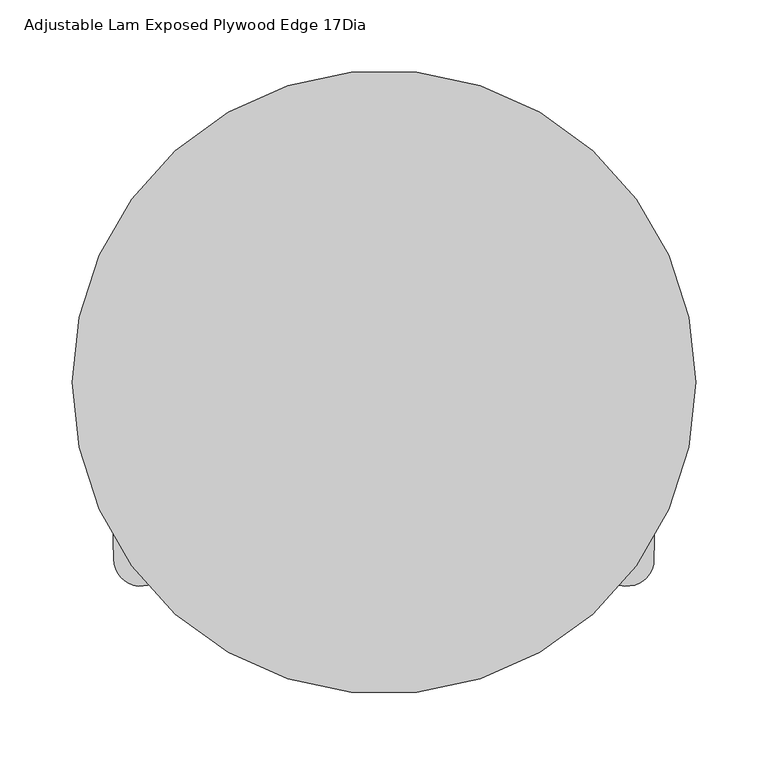
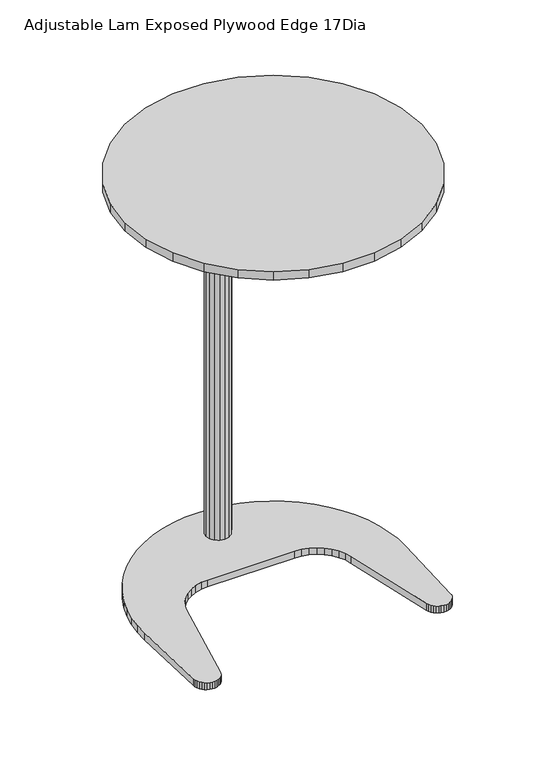
"""IFC4 building model written with IfcOpenShell, lengths in millimetres: furniture geometry, Adjustable Lam Exposed Plywood Edge 17Dia."""

from ifc_helpers import new_model, si_unit, frame, origin, origin_with_axes, place, context, project, spatial, polyline, outline, extrude, source, transform, mapped, element, save


def adjustable_lam_exposed_plywood_edge_17dia_f3066165(model_context):
    return source(origin(), model_context, "Body", "SweptSolid", [
        extrude(outline(polyline([(-149.8671059, -126.3234939), (-150.8992195, -129.521818), (-152.5209955, -132.5392664), (-154.6897222, -135.2420538), (-157.3189766, -137.5155615), (-160.2753551, -139.246179), (-163.4498161, -140.409362), (-166.7207647, -140.9483825), (-170.080298, -140.9617084), (-173.5167343, -140.3426509), (-176.7647555, -139.0607161), (-179.6814743, -137.2641415), (-181.992404, -135.2772922), (-184.3368587, -132.2226251), (-185.9202832, -129.1283645), (-186.8986028, -125.8453436), (-187.2867514, -122.3765601), (-190.3496821, -4.6115352), (-189.8901898, 14.2613479), (-187.6979683, 32.4082451), (-183.1783539, 52.2501283), (-177.4118091, 69.5357992), (-169.6089787, 86.8772552), (-160.1246012, 103.3056947), (-149.0664825, 118.7166454), (-136.508946, 132.9782204), (-122.3697018, 145.7873949), (-107.4059713, 157.4405354), (-91.2014099, 167.3806626), (-74.0827101, 175.6340469), (-56.2270821, 182.1176083), (-37.81398, 186.8126342), (-18.988084, 189.6780662), (0.5119749, 190.5716342), (18.9299367, 189.6762857), (37.7224772, 186.822808), (56.1368215, 182.13276), (73.9687227, 175.6445841), (91.0169372, 167.1567301), (107.071217, 157.3533859), (122.2800452, 145.7296223), (136.3462106, 133.1030038), (148.9690048, 118.821926), (160.0604881, 103.3756123), (169.5508245, 86.9104836), (177.3532916, 69.5815858), (183.3901324, 51.5615284), (187.3279371, 33.1228556), (189.7813847, 14.3179873), (190.1318357, -4.8405436), (186.9182237, -122.5865945), (186.8453009, -125.9547794), (185.7964535, -129.3312591), (184.1832889, -132.3981867), (181.7765516, -135.4621215), (179.6549861, -137.3634814), (176.7145951, -139.164398), (173.4871576, -140.4107336), (170.1668479, -140.9493999), (166.6754186, -140.9974529), (162.872691, -140.2900424), (160.0711524, -139.2664902), (157.1517448, -137.5070955), (154.558898, -135.2497659), (152.3797887, -132.5480595), (150.7550877, -129.506748), (149.7653225, -126.204951), (119.3579737, 11.0523876), (116.438373, 20.4984581), (112.0049093, 29.1621735), (106.2797683, 36.8046916), (99.3454259, 43.4445003), (91.2042077, 48.9570953), (82.3097106, 52.9223511), (72.9862836, 55.3198337), (63.1846426, 56.1296317), (-63.6836492, 56.1185223), (-72.6995166, 55.3368781), (-82.9570079, 52.6617072), (-91.2204949, 48.9240804), (-99.203783, 43.591221), (-106.3477874, 36.8361282), (-112.1441723, 29.0107065), (-116.5027907, 20.4271847), (-119.3365658, 11.2560001), (-149.8671059, -126.3234939)])), origin_with_axes(), (0.0, 0.0, 1.0), 10.4266312),
        extrude(outline(polyline([(-144.4791081, 160.4603002), (-107.9603161, 186.9927468), (-66.7231439, 205.3527271), (-22.5698524, 214.7378011), (22.5698524, 214.7378011), (66.7231439, 205.3527271), (107.9603161, 186.9927468), (144.4791081, 160.4603002), (174.6834691, 126.914964), (197.2533123, 87.8228371), (211.2022429, 44.8924224), (215.9206322, 0.0), (211.2022429, -44.8924224), (197.2533123, -87.8228371), (174.6834691, -126.914964), (144.4791081, -160.4603002), (107.9603161, -186.9927468), (66.7231439, -205.3527271), (22.5698524, -214.7378011), (-22.5698524, -214.7378011), (-66.7231439, -205.3527271), (-107.9603161, -186.9927468), (-144.4791081, -160.4603002), (-174.6834691, -126.914964), (-197.2533123, -87.8228371), (-211.2022429, -44.8924224), (-215.9206322, 0.0), (-211.2022429, 44.8924224), (-197.2533123, 87.8228371), (-174.6834691, 126.914964), (-144.4791081, 160.4603002)])), frame((0.0, 0.0, 634.9999624), z_axis=(0.0, 0.0, 1.0), x_axis=(1.0, 0.0, 0.0)), (0.0, 0.0, 1.0), 12.7000242),
        extrude(outline(polyline([(-6.6861528, 156.0789361), (0.0206552, 157.4129934), (6.7274628, 156.0789361), (12.4132196, 152.2798311), (16.2123212, 146.5940681), (17.5463888, 139.8872645), (16.2123212, 133.1804518), (12.4132196, 127.4946979), (6.7274628, 123.6955929), (0.0206552, 122.3615265), (-6.6861528, 123.6955929), (-12.3719102, 127.4946979), (-16.1710117, 133.1804518), (-17.5050782, 139.8872645), (-16.1710117, 146.5940681), (-12.3719102, 152.2798311), (-6.6861528, 156.0789361)])), frame((0.0, 0.0, 10.4266312), z_axis=(0.0, 0.0, 1.0), x_axis=(1.0, 0.0, 0.0)), (0.0, 0.0, 1.0), 619.8111219),
        extrude(outline(polyline([(-52.3319574, 170.5642074), (-27.5223004, 183.2053508), (-0.0205852, 187.5611896), (27.4811305, 183.2053508), (52.2907853, 170.5642074), (71.9798406, 150.8751476), (84.6209976, 126.0654882), (88.9768364, 98.5637694), (84.6209976, 71.0620551), (71.9798406, 46.2524003), (52.2907853, 26.563345), (27.4811305, 13.9221937), (-0.0205852, 9.5663492), (-27.5223004, 13.9221937), (-52.3319574, 26.563345), (-72.0210127, 46.2524003), (-84.6621652, 71.0620551), (-89.0180039, 98.5637694), (-84.6621652, 126.0654882), (-72.0210127, 150.8751476), (-52.3319574, 170.5642074)])), frame((0.0, 0.0, 630.2377531), z_axis=(0.0, 0.0, 1.0), x_axis=(1.0, 0.0, 0.0)), (0.0, 0.0, 1.0), 4.7622093),
    ])


if __name__ == "__main__":
    model = new_model("IFC4")
    model_context = context("Model", 3, world=origin())
    ifc_project = project(units=[si_unit("LENGTHUNIT", "METRE", prefix="MILLI")], contexts=[model_context])
    site = spatial("IfcSite", under=ifc_project)
    building = spatial("IfcBuilding", under=site)
    placement = place(None, origin())
    adjustable_lam_exposed_plywood_edge_17dia_shape = adjustable_lam_exposed_plywood_edge_17dia_f3066165(model_context)
    element("IfcFurniture", 1, ObjectType="Adjustable Lam Exposed Plywood Edge 17Dia", at=placement, inside=building, context=model_context, shape_type="MappedRepresentation", body=[
        mapped(adjustable_lam_exposed_plywood_edge_17dia_shape, transform((0.0, 0.0, 0.0), x_axis=(1.0, 0.0, 0.0), y_axis=(0.0, 1.0, 0.0), z_axis=(0.0, 0.0, 1.0))),
    ])
    save(model, "model.ifc")
